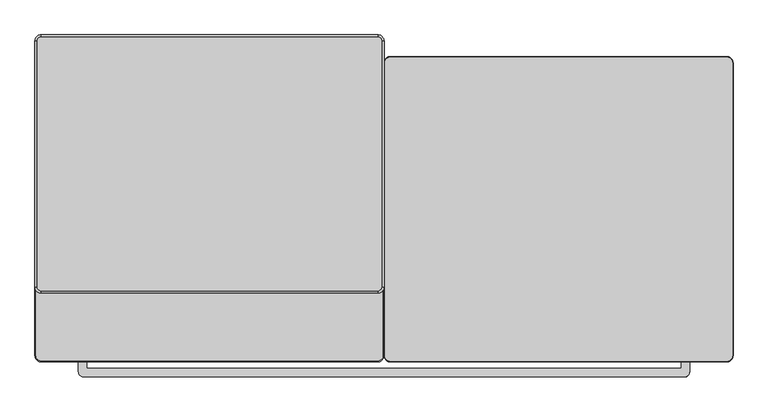
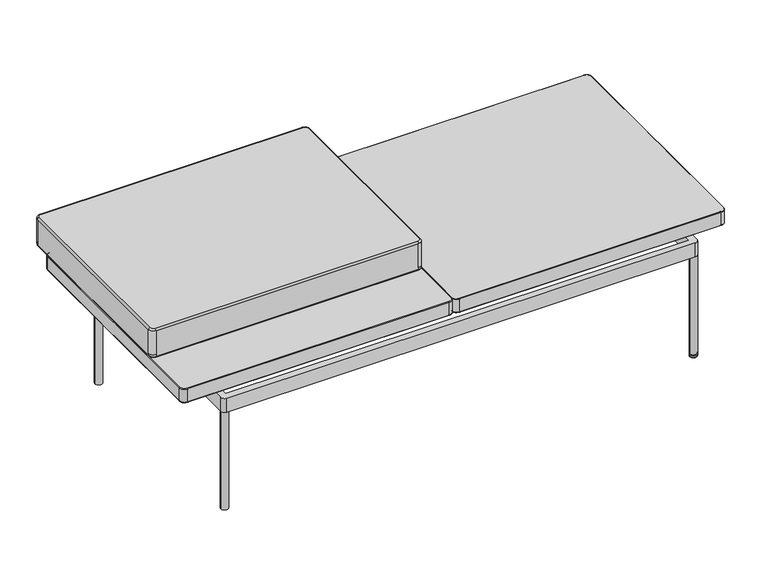
"""IFC4 building model written with IfcOpenShell, lengths in millimetres: furniture geometry."""

from ifc_helpers import new_model, si_unit, point, frame, origin, place, context, project, spatial, circle_curve, ellipse_curve, trimmed, source, transform, mapped, element, save
from ifc_brep_helpers import plane_surface, cylinder_surface, revolved_surface, advanced_brep


def furniture_bee9c8db(model_context):
    return source(origin(), model_context, "Body", "AdvancedBrep", [
        advanced_brep(
        [(-710.1119852, -298.9168441, 355.5999879), (-711.2011385, -298.9168441, 354.5108346), (-698.5011385, -311.6168441, 354.5108346), (-698.5011385, -310.5276908, 355.5999879), (-710.1119852, 297.9831438, 355.5999879), (-711.2011385, 297.9831438, 354.5108346), (-698.5011385, 309.5939905, 355.5999879), (-698.5011385, 310.6831438, 354.5108346), (-12.7, 309.5939905, 355.5999879), (-12.7, 310.6831438, 354.5108346), (-1.0891533, 297.9831438, 355.5999879), (0.0, 297.9831438, 354.5108346), (-1.0891533, -298.9168441, 355.5999879), (0.0, -298.9168441, 354.5108346), (-12.7, -310.5276908, 355.5999879), (-12.7, -311.6168441, 354.5108346), (-711.2011385, -298.9168441, 318.5891775), (-698.5011385, -311.6168441, 318.5891775), (-710.1119852, -298.9168441, 317.5000242), (-698.5011385, -310.5276908, 317.5000242), (-711.2011385, 297.9831438, 318.5891775), (-710.1119852, 297.9831438, 317.5000242), (-698.5011385, 310.6831438, 318.5891775), (-698.5011385, 309.5939905, 317.5000242), (-12.7, 310.6831438, 318.5891775), (-12.7, 309.5939905, 317.5000242), (0.0, 297.9831438, 318.5891775), (-1.0891533, 297.9831438, 317.5000242), (0.0, -298.9168441, 318.5891775), (-1.0891533, -298.9168441, 317.5000242), (-12.7, -311.6168441, 318.5891775), (-12.7, -310.5276908, 317.5000242)],
        [
            (0, 1, circle_curve(frame((-710.1119852, -298.9168441, 354.5108346), z_axis=(0.0, -1.0, 0.0), x_axis=(1.0, 0.0, 0.0)), 1.0891533)),
            (1, 2, circle_curve(frame((-698.5011385, -298.9168441, 354.5108346), z_axis=(0.0, 0.0, 1.0), x_axis=(0.0, -1.0, 0.0)), 12.7)),
            (2, 3, circle_curve(frame((-698.5011385, -310.5276908, 354.5108346), z_axis=(-1.0, 0.0, 0.0), x_axis=(0.0, 1.0, 0.0)), 1.0891533)),
            (3, 0, circle_curve(frame((-698.5011385, -298.9168441, 355.5999879), z_axis=(0.0, 0.0, -1.0), x_axis=(0.0, -1.0, 0.0)), 11.6108467)),
            (0, 4),
            (4, 5, circle_curve(frame((-710.1119852, 297.9831438, 354.5108346), z_axis=(0.0, -1.0, 0.0), x_axis=(1.0, 0.0, 0.0)), 1.0891533)),
            (5, 1),
            (4, 6, circle_curve(frame((-698.5011385, 297.9831438, 355.5999879), z_axis=(0.0, 0.0, -1.0), x_axis=(-1.0, 0.0, 0.0)), 11.6108467)),
            (6, 7, circle_curve(frame((-698.5011385, 309.5939905, 354.5108346), z_axis=(-1.0, 0.0, 0.0), x_axis=(0.0, -1.0, 0.0)), 1.0891533)),
            (7, 5, circle_curve(frame((-698.5011385, 297.9831438, 354.5108346), z_axis=(0.0, 0.0, 1.0), x_axis=(-1.0, 0.0, 0.0)), 12.7)),
            (6, 8),
            (8, 9, circle_curve(frame((-12.7, 309.5939905, 354.5108346), z_axis=(-1.0, 0.0, 0.0), x_axis=(0.0, -1.0, 0.0)), 1.0891533)),
            (9, 7),
            (8, 10, circle_curve(frame((-12.7, 297.9831438, 355.5999879), z_axis=(0.0, 0.0, -1.0), x_axis=(0.0, 1.0, 0.0)), 11.6108467)),
            (10, 11, circle_curve(frame((-1.0891533, 297.9831438, 354.5108346), z_axis=(0.0, 1.0, 0.0), x_axis=(-1.0, 0.0, 0.0)), 1.0891533)),
            (11, 9, circle_curve(frame((-12.7, 297.9831438, 354.5108346), z_axis=(0.0, 0.0, 1.0), x_axis=(0.0, 1.0, 0.0)), 12.7)),
            (10, 12),
            (12, 13, circle_curve(frame((-1.0891533, -298.9168441, 354.5108346), z_axis=(0.0, 1.0, 0.0), x_axis=(-1.0, 0.0, 0.0)), 1.0891533)),
            (13, 11),
            (12, 14, circle_curve(frame((-12.7, -298.9168441, 355.5999879), z_axis=(0.0, 0.0, -1.0), x_axis=(1.0, 0.0, 0.0)), 11.6108467)),
            (14, 15, circle_curve(frame((-12.7, -310.5276908, 354.5108346), z_axis=(1.0, 0.0, 0.0), x_axis=(0.0, 1.0, 0.0)), 1.0891533)),
            (15, 13, circle_curve(frame((-12.7, -298.9168441, 354.5108346), z_axis=(0.0, 0.0, 1.0), x_axis=(1.0, 0.0, 0.0)), 12.7)),
            (2, 15),
            (14, 3),
            (1, 16),
            (16, 17, circle_curve(frame((-698.5011385, -298.9168441, 318.5891775), z_axis=(0.0, 0.0, 1.0), x_axis=(0.0, -1.0, 0.0)), 12.7)),
            (17, 2),
            (16, 18, circle_curve(frame((-710.1119852, -298.9168441, 318.5891775), z_axis=(0.0, -1.0, 0.0), x_axis=(1.0, 0.0, 0.0)), 1.0891533)),
            (18, 19, circle_curve(frame((-698.5011385, -298.9168441, 317.5000242), z_axis=(0.0, 0.0, 1.0), x_axis=(0.0, -1.0, 0.0)), 11.6108467)),
            (19, 17, circle_curve(frame((-698.5011385, -310.5276908, 318.5891775), z_axis=(-1.0, 0.0, 0.0), x_axis=(0.0, 1.0, 0.0)), 1.0891533)),
            (5, 20),
            (20, 16),
            (20, 21, circle_curve(frame((-710.1119852, 297.9831438, 318.5891775), z_axis=(0.0, -1.0, 0.0), x_axis=(1.0, 0.0, 0.0)), 1.0891533)),
            (21, 18),
            (7, 22),
            (22, 20, circle_curve(frame((-698.5011385, 297.9831438, 318.5891775), z_axis=(0.0, 0.0, 1.0), x_axis=(-1.0, 0.0, 0.0)), 12.7)),
            (22, 23, circle_curve(frame((-698.5011385, 309.5939905, 318.5891775), z_axis=(-1.0, 0.0, 0.0), x_axis=(0.0, -1.0, 0.0)), 1.0891533)),
            (23, 21, circle_curve(frame((-698.5011385, 297.9831438, 317.5000242), z_axis=(0.0, 0.0, 1.0), x_axis=(-1.0, 0.0, 0.0)), 11.6108467)),
            (9, 24),
            (24, 22),
            (24, 25, circle_curve(frame((-12.7, 309.5939905, 318.5891775), z_axis=(-1.0, 0.0, 0.0), x_axis=(0.0, -1.0, 0.0)), 1.0891533)),
            (25, 23),
            (11, 26),
            (26, 24, circle_curve(frame((-12.7, 297.9831438, 318.5891775), z_axis=(0.0, 0.0, 1.0), x_axis=(0.0, 1.0, 0.0)), 12.7)),
            (26, 27, circle_curve(frame((-1.0891533, 297.9831438, 318.5891775), z_axis=(0.0, 1.0, 0.0), x_axis=(-1.0, 0.0, 0.0)), 1.0891533)),
            (27, 25, circle_curve(frame((-12.7, 297.9831438, 317.5000242), z_axis=(0.0, 0.0, 1.0), x_axis=(0.0, 1.0, 0.0)), 11.6108467)),
            (13, 28),
            (28, 26),
            (28, 29, circle_curve(frame((-1.0891533, -298.9168441, 318.5891775), z_axis=(0.0, 1.0, 0.0), x_axis=(-1.0, 0.0, 0.0)), 1.0891533)),
            (29, 27),
            (15, 30),
            (30, 28, circle_curve(frame((-12.7, -298.9168441, 318.5891775), z_axis=(0.0, 0.0, 1.0), x_axis=(1.0, 0.0, 0.0)), 12.7)),
            (30, 31, circle_curve(frame((-12.7, -310.5276908, 318.5891775), z_axis=(1.0, 0.0, 0.0), x_axis=(0.0, 1.0, 0.0)), 1.0891533)),
            (31, 29, circle_curve(frame((-12.7, -298.9168441, 317.5000242), z_axis=(0.0, 0.0, 1.0), x_axis=(1.0, 0.0, 0.0)), 11.6108467)),
            (17, 30),
            (31, 19),
        ],
        [
            revolved_surface(trimmed(ellipse_curve(frame((-698.5011385, -310.5276908, 354.5108346), z_axis=(-1.0, 0.0, 0.0), x_axis=(0.0, 1.0, 0.0)), 1.0891533, 1.0891533), [point((-698.5011385, -311.6168441, 354.5108346))], [point((-698.5011385, -310.5276908, 355.5999879))], True, "CARTESIAN"), (-698.5011385, -298.9168441, 352.425), (0.0, 0.0, 1.0)),
            cylinder_surface(frame((-710.1119852, -298.9168441, 354.5108346), z_axis=(0.0, -1.0, 0.0), x_axis=(1.0, 0.0, 0.0)), 1.0891533),
            revolved_surface(trimmed(ellipse_curve(frame((-710.1119852, 297.9831438, 354.5108346), z_axis=(0.0, 1.0, 0.0), x_axis=(1.0, 0.0, 0.0)), 1.0891533, 1.0891533), [point((-711.2011385, 297.9831438, 354.5108346))], [point((-710.1119852, 297.9831438, 355.5999879))], True, "CARTESIAN"), (-698.5011385, 297.9831438, 352.425), (0.0, 0.0, 1.0)),
            cylinder_surface(frame((-698.5011385, 309.5939905, 354.5108346), z_axis=(-1.0, 0.0, 0.0), x_axis=(0.0, -1.0, 0.0)), 1.0891533),
            revolved_surface(trimmed(ellipse_curve(frame((-12.7, 309.5939905, 354.5108346), z_axis=(1.0, 0.0, 0.0), x_axis=(0.0, -1.0, 0.0)), 1.0891533, 1.0891533), [point((-12.7, 310.6831438, 354.5108346))], [point((-12.7, 309.5939905, 355.5999879))], True, "CARTESIAN"), (-12.7, 297.9831438, 352.425), (0.0, 0.0, 1.0)),
            cylinder_surface(frame((-1.0891533, 297.9831438, 354.5108346), z_axis=(0.0, 1.0, 0.0), x_axis=(-1.0, 0.0, 0.0)), 1.0891533),
            revolved_surface(trimmed(ellipse_curve(frame((-1.0891533, -298.9168441, 354.5108346), z_axis=(0.0, -1.0, 0.0), x_axis=(-1.0, 0.0, 0.0)), 1.0891533, 1.0891533), [point((0.0, -298.9168441, 354.5108346))], [point((-1.0891533, -298.9168441, 355.5999879))], True, "CARTESIAN"), (-12.7, -298.9168441, 352.425), (0.0, 0.0, 1.0)),
            cylinder_surface(frame((-12.7, -310.5276908, 354.5108346), z_axis=(1.0, 0.0, 0.0), x_axis=(0.0, 1.0, 0.0)), 1.0891533),
            plane_surface(frame((-12.7, -310.5276908, 355.5999879), z_axis=(0.0, 0.0, 1.0), x_axis=(-1.0, 0.0, 0.0))),
            cylinder_surface(frame((-698.5011385, -298.9168441, 352.425), z_axis=(0.0, 0.0, 1.0), x_axis=(0.0, -1.0, 0.0)), 12.7),
            revolved_surface(trimmed(ellipse_curve(frame((-698.5011385, -310.5276908, 318.5891775), z_axis=(-1.0, 0.0, 0.0), x_axis=(0.0, 1.0, 0.0)), 1.0891533, 1.0891533), [point((-698.5011385, -310.5276908, 317.5000242))], [point((-698.5011385, -311.6168441, 318.5891775))], True, "CARTESIAN"), (-698.5011385, -298.9168441, 352.425), (0.0, 0.0, 1.0)),
            plane_surface(frame((-711.2011385, -298.9168441, 318.5891775), z_axis=(-1.0, 0.0, 0.0), x_axis=(0.0, 1.0, 0.0))),
            cylinder_surface(frame((-710.1119852, -298.9168441, 318.5891775), z_axis=(0.0, -1.0, 0.0), x_axis=(1.0, 0.0, 0.0)), 1.0891533),
            cylinder_surface(frame((-698.5011385, 297.9831438, 352.425), z_axis=(0.0, 0.0, 1.0), x_axis=(-1.0, 0.0, 0.0)), 12.7),
            revolved_surface(trimmed(ellipse_curve(frame((-710.1119852, 297.9831438, 318.5891775), z_axis=(0.0, 1.0, 0.0), x_axis=(1.0, 0.0, 0.0)), 1.0891533, 1.0891533), [point((-710.1119852, 297.9831438, 317.5000242))], [point((-711.2011385, 297.9831438, 318.5891775))], True, "CARTESIAN"), (-698.5011385, 297.9831438, 352.425), (0.0, 0.0, 1.0)),
            plane_surface(frame((-698.5011385, 310.6831438, 318.5891775), z_axis=(0.0, 1.0, 0.0), x_axis=(1.0, 0.0, 0.0))),
            cylinder_surface(frame((-698.5011385, 309.5939905, 318.5891775), z_axis=(-1.0, 0.0, 0.0), x_axis=(0.0, -1.0, 0.0)), 1.0891533),
            cylinder_surface(frame((-12.7, 297.9831438, 352.425), z_axis=(0.0, 0.0, 1.0), x_axis=(0.0, 1.0, 0.0)), 12.7),
            revolved_surface(trimmed(ellipse_curve(frame((-12.7, 309.5939905, 318.5891775), z_axis=(1.0, 0.0, 0.0), x_axis=(0.0, -1.0, 0.0)), 1.0891533, 1.0891533), [point((-12.7, 309.5939905, 317.5000242))], [point((-12.7, 310.6831438, 318.5891775))], True, "CARTESIAN"), (-12.7, 297.9831438, 352.425), (0.0, 0.0, 1.0)),
            plane_surface(frame((0.0, 297.9831438, 318.5891775), z_axis=(1.0, 0.0, 0.0), x_axis=(0.0, -1.0, 0.0))),
            cylinder_surface(frame((-1.0891533, 297.9831438, 318.5891775), z_axis=(0.0, 1.0, 0.0), x_axis=(-1.0, 0.0, 0.0)), 1.0891533),
            cylinder_surface(frame((-12.7, -298.9168441, 352.425), z_axis=(0.0, 0.0, 1.0), x_axis=(1.0, 0.0, 0.0)), 12.7),
            revolved_surface(trimmed(ellipse_curve(frame((-1.0891533, -298.9168441, 318.5891775), z_axis=(0.0, -1.0, 0.0), x_axis=(-1.0, 0.0, 0.0)), 1.0891533, 1.0891533), [point((-1.0891533, -298.9168441, 317.5000242))], [point((0.0, -298.9168441, 318.5891775))], True, "CARTESIAN"), (-12.7, -298.9168441, 352.425), (0.0, 0.0, 1.0)),
            plane_surface(frame((-12.7, -311.6168441, 318.5891775), z_axis=(0.0, -1.0, 0.0), x_axis=(-1.0, 0.0, 0.0))),
            plane_surface(frame((-12.7, -309.012361, 317.5000242), z_axis=(0.0, 0.0, -1.0), x_axis=(-1.0, 0.0, 0.0))),
            cylinder_surface(frame((-12.7, -310.5276908, 318.5891775), z_axis=(1.0, 0.0, 0.0), x_axis=(0.0, 1.0, 0.0)), 1.0891533),
        ],
        [
            (0, [[1, 2, 3, 4]]),
            (1, [[5, 6, 7, -1]]),
            (2, [[8, 9, 10, -6]]),
            (3, [[11, 12, 13, -9]]),
            (4, [[14, 15, 16, -12]]),
            (5, [[17, 18, 19, -15]]),
            (6, [[20, 21, 22, -18]]),
            (7, [[23, -21, 24, -3]]),
            (8, [[-24, -20, -17, -14, -11, -8, -5, -4]]),
            (9, [[25, 26, 27, -2]]),
            (10, [[28, 29, 30, -26]]),
            (11, [[31, 32, -25, -7]]),
            (12, [[-32, 33, 34, -28]]),
            (13, [[35, 36, -31, -10]]),
            (14, [[-36, 37, 38, -33]]),
            (15, [[39, 40, -35, -13]]),
            (16, [[-40, 41, 42, -37]]),
            (17, [[43, 44, -39, -16]]),
            (18, [[-44, 45, 46, -41]]),
            (19, [[47, 48, -43, -19]]),
            (20, [[-48, 49, 50, -45]]),
            (21, [[51, 52, -47, -22]]),
            (22, [[-52, 53, 54, -49]]),
            (23, [[-27, 55, -51, -23]]),
            (24, [[-34, -38, -42, -46, -50, -54, 56, -29]]),
            (25, [[-56, -53, -55, -30]]),
        ],
    ),
        advanced_brep(
        [(710.1119852, -298.9168441, 355.5999879), (710.1119852, 297.9831438, 355.5999879), (698.5011385, 309.5939905, 355.5999879), (12.7, 309.5939905, 355.5999879), (1.0891533, 297.9831438, 355.5999879), (1.0891533, -298.9168441, 355.5999879), (12.7, -310.5276908, 355.5999879), (698.5011385, -310.5276908, 355.5999879), (698.5011385, -310.5276908, 317.4999879), (12.7, -310.5276908, 317.4999879), (1.0891533, -298.9168441, 317.4999879), (1.0891533, 297.9831438, 317.4999879), (12.7, 309.5939905, 317.4999879), (698.5011385, 309.5939905, 317.4999879), (710.1119852, 297.9831438, 317.4999879), (710.1119852, -298.9168441, 317.4999879), (711.2011385, -298.9168441, 354.5108346), (698.5011385, -311.6168441, 354.5108346), (711.2011385, 297.9831438, 354.5108346), (698.5011385, 310.6831438, 354.5108346), (12.7, 310.6831438, 354.5108346), (0.0, 297.9831438, 354.5108346), (0.0, -298.9168441, 354.5108346), (12.7, -311.6168441, 354.5108346), (698.5011385, -311.6168441, 318.5891775), (711.2011385, -298.9168441, 318.5891775), (711.2011385, 297.9831438, 318.5891775), (698.5011385, 310.6831438, 318.5891775), (12.7, 310.6831438, 318.5891775), (0.0, 297.9831438, 318.5891775), (0.0, -298.9168441, 318.5891775), (12.7, -311.6168441, 318.5891775)],
        [
            (0, 1),
            (1, 2, circle_curve(frame((698.5011385, 297.9831438, 355.5999879), z_axis=(0.0, 0.0, 1.0), x_axis=(1.0, 0.0, 0.0)), 11.6108467)),
            (2, 3),
            (3, 4, circle_curve(frame((12.7, 297.9831438, 355.5999879), z_axis=(0.0, 0.0, 1.0), x_axis=(0.0, 1.0, 0.0)), 11.6108467)),
            (4, 5),
            (5, 6, circle_curve(frame((12.7, -298.9168441, 355.5999879), z_axis=(0.0, 0.0, 1.0), x_axis=(-1.0, 0.0, 0.0)), 11.6108467)),
            (6, 7),
            (7, 0, circle_curve(frame((698.5011385, -298.9168441, 355.5999879), z_axis=(0.0, 0.0, 1.0), x_axis=(0.0, -1.0, 0.0)), 11.6108467)),
            (8, 9),
            (9, 10, circle_curve(frame((12.7, -298.9168441, 317.4999879), z_axis=(0.0, 0.0, -1.0), x_axis=(-1.0, 0.0, 0.0)), 11.6108467)),
            (10, 11),
            (11, 12, circle_curve(frame((12.7, 297.9831438, 317.4999879), z_axis=(0.0, 0.0, -1.0), x_axis=(0.0, 1.0, 0.0)), 11.6108467)),
            (12, 13),
            (13, 14, circle_curve(frame((698.5011385, 297.9831438, 317.4999879), z_axis=(0.0, 0.0, -1.0), x_axis=(1.0, 0.0, 0.0)), 11.6108467)),
            (14, 15),
            (15, 8, circle_curve(frame((698.5011385, -298.9168441, 317.4999879), z_axis=(0.0, 0.0, -1.0), x_axis=(0.0, -1.0, 0.0)), 11.6108467)),
            (16, 0, circle_curve(frame((710.1119852, -298.9168441, 354.5108346), z_axis=(0.0, -1.0, 0.0), x_axis=(1.0, 0.0, 0.0)), 1.0891533)),
            (7, 17, circle_curve(frame((698.5011385, -310.5276908, 354.5108346), z_axis=(1.0, 0.0, 0.0), x_axis=(0.0, -1.0, 0.0)), 1.0891533)),
            (17, 16, circle_curve(frame((698.5011385, -298.9168441, 354.5108346), z_axis=(0.0, 0.0, 1.0), x_axis=(0.0, -1.0, 0.0)), 12.7)),
            (16, 18),
            (18, 1, circle_curve(frame((710.1119852, 297.9831438, 354.5108346), z_axis=(0.0, -1.0, 0.0), x_axis=(1.0, 0.0, 0.0)), 1.0891533)),
            (18, 19, circle_curve(frame((698.5011385, 297.9831438, 354.5108346), z_axis=(0.0, 0.0, 1.0), x_axis=(1.0, 0.0, 0.0)), 12.7)),
            (19, 2, circle_curve(frame((698.5011385, 309.5939905, 354.5108346), z_axis=(1.0, 0.0, 0.0), x_axis=(0.0, 1.0, 0.0)), 1.0891533)),
            (19, 20),
            (20, 3, circle_curve(frame((12.7, 309.5939905, 354.5108346), z_axis=(1.0, 0.0, 0.0), x_axis=(0.0, 1.0, 0.0)), 1.0891533)),
            (20, 21, circle_curve(frame((12.7, 297.9831438, 354.5108346), z_axis=(0.0, 0.0, 1.0), x_axis=(0.0, 1.0, 0.0)), 12.7)),
            (21, 4, circle_curve(frame((1.0891533, 297.9831438, 354.5108346), z_axis=(0.0, 1.0, 0.0), x_axis=(-1.0, 0.0, 0.0)), 1.0891533)),
            (21, 22),
            (22, 5, circle_curve(frame((1.0891533, -298.9168441, 354.5108346), z_axis=(0.0, 1.0, 0.0), x_axis=(-1.0, 0.0, 0.0)), 1.0891533)),
            (22, 23, circle_curve(frame((12.7, -298.9168441, 354.5108346), z_axis=(0.0, 0.0, 1.0), x_axis=(-1.0, 0.0, 0.0)), 12.7)),
            (23, 6, circle_curve(frame((12.7, -310.5276908, 354.5108346), z_axis=(-1.0, 0.0, 0.0), x_axis=(0.0, -1.0, 0.0)), 1.0891533)),
            (23, 17),
            (17, 24),
            (24, 25, circle_curve(frame((698.5011385, -298.9168441, 318.5891775), z_axis=(0.0, 0.0, 1.0), x_axis=(0.0, -1.0, 0.0)), 12.7)),
            (25, 16),
            (24, 8, circle_curve(frame((698.5011385, -310.5276908, 318.5891775), z_axis=(1.0, 0.0, 0.0), x_axis=(0.0, -1.0, 0.0)), 1.0891533)),
            (15, 25, circle_curve(frame((710.1119852, -298.9168441, 318.5891775), z_axis=(0.0, -1.0, 0.0), x_axis=(1.0, 0.0, 0.0)), 1.0891533)),
            (25, 26),
            (26, 18),
            (14, 26, circle_curve(frame((710.1119852, 297.9831438, 318.5891775), z_axis=(0.0, -1.0, 0.0), x_axis=(1.0, 0.0, 0.0)), 1.0891533)),
            (26, 27, circle_curve(frame((698.5011385, 297.9831438, 318.5891775), z_axis=(0.0, 0.0, 1.0), x_axis=(1.0, 0.0, 0.0)), 12.7)),
            (27, 19),
            (13, 27, circle_curve(frame((698.5011385, 309.5939905, 318.5891775), z_axis=(1.0, 0.0, 0.0), x_axis=(0.0, 1.0, 0.0)), 1.0891533)),
            (27, 28),
            (28, 20),
            (12, 28, circle_curve(frame((12.7, 309.5939905, 318.5891775), z_axis=(1.0, 0.0, 0.0), x_axis=(0.0, 1.0, 0.0)), 1.0891533)),
            (28, 29, circle_curve(frame((12.7, 297.9831438, 318.5891775), z_axis=(0.0, 0.0, 1.0), x_axis=(0.0, 1.0, 0.0)), 12.7)),
            (29, 21),
            (11, 29, circle_curve(frame((1.0891533, 297.9831438, 318.5891775), z_axis=(0.0, 1.0, 0.0), x_axis=(-1.0, 0.0, 0.0)), 1.0891533)),
            (29, 30),
            (30, 22),
            (10, 30, circle_curve(frame((1.0891533, -298.9168441, 318.5891775), z_axis=(0.0, 1.0, 0.0), x_axis=(-1.0, 0.0, 0.0)), 1.0891533)),
            (30, 31, circle_curve(frame((12.7, -298.9168441, 318.5891775), z_axis=(0.0, 0.0, 1.0), x_axis=(-1.0, 0.0, 0.0)), 12.7)),
            (31, 23),
            (9, 31, circle_curve(frame((12.7, -310.5276908, 318.5891775), z_axis=(-1.0, 0.0, 0.0), x_axis=(0.0, -1.0, 0.0)), 1.0891533)),
            (31, 24),
        ],
        [
            plane_surface(frame((2.6044831, 297.9831438, 355.5999879), z_axis=(0.0, 0.0, 1.0), x_axis=(0.0, 1.0, 0.0))),
            plane_surface(frame((2.6044831, 297.9831438, 317.4999879), z_axis=(0.0, 0.0, -1.0), x_axis=(0.0, -1.0, 0.0))),
            revolved_surface(trimmed(ellipse_curve(frame((698.5011385, -310.5276908, 354.5108346), z_axis=(1.0, 0.0, 0.0), x_axis=(0.0, -1.0, 0.0)), 1.0891533, 1.0891533), [point((698.5011385, -310.5276908, 355.5999879))], [point((698.5011385, -311.6168441, 354.5108346))], True, "CARTESIAN"), (698.5011385, -298.9168441, 352.425), (0.0, 0.0, -1.0)),
            cylinder_surface(frame((710.1119852, -298.9168441, 354.5108346), z_axis=(0.0, -1.0, 0.0), x_axis=(1.0, 0.0, 0.0)), 1.0891533),
            revolved_surface(trimmed(ellipse_curve(frame((710.1119852, 297.9831438, 354.5108346), z_axis=(0.0, 1.0, 0.0), x_axis=(1.0, 0.0, 0.0)), 1.0891533, 1.0891533), [point((710.1119852, 297.9831438, 355.5999879))], [point((711.2011385, 297.9831438, 354.5108346))], True, "CARTESIAN"), (698.5011385, 297.9831438, 352.425), (0.0, 0.0, -1.0)),
            cylinder_surface(frame((698.5011385, 309.5939905, 354.5108346), z_axis=(1.0, 0.0, 0.0), x_axis=(0.0, 1.0, 0.0)), 1.0891533),
            revolved_surface(trimmed(ellipse_curve(frame((12.7, 309.5939905, 354.5108346), z_axis=(-1.0, 0.0, 0.0), x_axis=(0.0, 1.0, 0.0)), 1.0891533, 1.0891533), [point((12.7, 309.5939905, 355.5999879))], [point((12.7, 310.6831438, 354.5108346))], True, "CARTESIAN"), (12.7, 297.9831438, 352.425), (0.0, 0.0, -1.0)),
            cylinder_surface(frame((1.0891533, 297.9831438, 354.5108346), z_axis=(0.0, 1.0, 0.0), x_axis=(-1.0, 0.0, 0.0)), 1.0891533),
            revolved_surface(trimmed(ellipse_curve(frame((1.0891533, -298.9168441, 354.5108346), z_axis=(0.0, -1.0, 0.0), x_axis=(-1.0, 0.0, 0.0)), 1.0891533, 1.0891533), [point((1.0891533, -298.9168441, 355.5999879))], [point((0.0, -298.9168441, 354.5108346))], True, "CARTESIAN"), (12.7, -298.9168441, 352.425), (0.0, 0.0, -1.0)),
            cylinder_surface(frame((12.7, -310.5276908, 354.5108346), z_axis=(-1.0, 0.0, 0.0), x_axis=(0.0, -1.0, 0.0)), 1.0891533),
            cylinder_surface(frame((698.5011385, -298.9168441, 352.425), z_axis=(0.0, 0.0, -1.0), x_axis=(0.0, -1.0, 0.0)), 12.7),
            revolved_surface(trimmed(ellipse_curve(frame((698.5011385, -310.5276908, 318.5891775), z_axis=(1.0, 0.0, 0.0), x_axis=(0.0, -1.0, 0.0)), 1.0891533, 1.0891533), [point((698.5011385, -311.6168441, 318.5891775))], [point((698.5011385, -310.5276908, 317.5000242))], True, "CARTESIAN"), (698.5011385, -298.9168441, 352.425), (0.0, 0.0, -1.0)),
            plane_surface(frame((711.2011385, -298.9168441, 354.5108346), z_axis=(1.0, 0.0, 0.0), x_axis=(0.0, 1.0, 0.0))),
            cylinder_surface(frame((710.1119852, -298.9168441, 318.5891775), z_axis=(0.0, -1.0, 0.0), x_axis=(1.0, 0.0, 0.0)), 1.0891533),
            cylinder_surface(frame((698.5011385, 297.9831438, 352.425), z_axis=(0.0, 0.0, -1.0), x_axis=(1.0, 0.0, 0.0)), 12.7),
            revolved_surface(trimmed(ellipse_curve(frame((710.1119852, 297.9831438, 318.5891775), z_axis=(0.0, 1.0, 0.0), x_axis=(1.0, 0.0, 0.0)), 1.0891533, 1.0891533), [point((711.2011385, 297.9831438, 318.5891775))], [point((710.1119852, 297.9831438, 317.5000242))], True, "CARTESIAN"), (698.5011385, 297.9831438, 352.425), (0.0, 0.0, -1.0)),
            plane_surface(frame((698.5011385, 310.6831438, 354.5108346), z_axis=(0.0, 1.0, 0.0), x_axis=(-1.0, 0.0, 0.0))),
            cylinder_surface(frame((698.5011385, 309.5939905, 318.5891775), z_axis=(1.0, 0.0, 0.0), x_axis=(0.0, 1.0, 0.0)), 1.0891533),
            cylinder_surface(frame((12.7, 297.9831438, 352.425), z_axis=(0.0, 0.0, -1.0), x_axis=(0.0, 1.0, 0.0)), 12.7),
            revolved_surface(trimmed(ellipse_curve(frame((12.7, 309.5939905, 318.5891775), z_axis=(-1.0, 0.0, 0.0), x_axis=(0.0, 1.0, 0.0)), 1.0891533, 1.0891533), [point((12.7, 310.6831438, 318.5891775))], [point((12.7, 309.5939905, 317.5000242))], True, "CARTESIAN"), (12.7, 297.9831438, 352.425), (0.0, 0.0, -1.0)),
            plane_surface(frame((0.0, 297.9831438, 354.5108346), z_axis=(-1.0, 0.0, 0.0), x_axis=(0.0, -1.0, 0.0))),
            cylinder_surface(frame((1.0891533, 297.9831438, 318.5891775), z_axis=(0.0, 1.0, 0.0), x_axis=(-1.0, 0.0, 0.0)), 1.0891533),
            cylinder_surface(frame((12.7, -298.9168441, 352.425), z_axis=(0.0, 0.0, -1.0), x_axis=(-1.0, 0.0, 0.0)), 12.7),
            revolved_surface(trimmed(ellipse_curve(frame((1.0891533, -298.9168441, 318.5891775), z_axis=(0.0, -1.0, 0.0), x_axis=(-1.0, 0.0, 0.0)), 1.0891533, 1.0891533), [point((0.0, -298.9168441, 318.5891775))], [point((1.0891533, -298.9168441, 317.5000242))], True, "CARTESIAN"), (12.7, -298.9168441, 352.425), (0.0, 0.0, -1.0)),
            plane_surface(frame((12.7, -311.6168441, 354.5108346), z_axis=(0.0, -1.0, 0.0), x_axis=(1.0, 0.0, 0.0))),
            cylinder_surface(frame((12.7, -310.5276908, 318.5891775), z_axis=(-1.0, 0.0, 0.0), x_axis=(0.0, -1.0, 0.0)), 1.0891533),
        ],
        [
            (0, [[1, 2, 3, 4, 5, 6, 7, 8]]),
            (1, [[9, 10, 11, 12, 13, 14, 15, 16]]),
            (2, [[17, -8, 18, 19]]),
            (3, [[20, 21, -1, -17]]),
            (4, [[22, 23, -2, -21]]),
            (5, [[24, 25, -3, -23]]),
            (6, [[26, 27, -4, -25]]),
            (7, [[28, 29, -5, -27]]),
            (8, [[30, 31, -6, -29]]),
            (9, [[-7, -31, 32, -18]]),
            (10, [[33, 34, 35, -19]]),
            (11, [[36, -16, 37, -34]]),
            (12, [[-35, 38, 39, -20]]),
            (13, [[-15, 40, -38, -37]]),
            (14, [[-39, 41, 42, -22]]),
            (15, [[-14, 43, -41, -40]]),
            (16, [[-42, 44, 45, -24]]),
            (17, [[-13, 46, -44, -43]]),
            (18, [[-45, 47, 48, -26]]),
            (19, [[-12, 49, -47, -46]]),
            (20, [[-48, 50, 51, -28]]),
            (21, [[-11, 52, -50, -49]]),
            (22, [[-51, 53, 54, -30]]),
            (23, [[-10, 55, -53, -52]]),
            (24, [[-54, 56, -33, -32]]),
            (25, [[-56, -55, -9, -36]]),
        ],
    ),
        advanced_brep(
        [(-4.6104593, 342.4331438, 355.3677867), (-4.6104593, -158.750436, 355.3677867), (-12.7, -166.8399767, 355.3677867), (-698.5011385, -166.8399767, 355.3677867), (-706.5906792, -158.750436, 355.3677867), (-706.5906792, 342.4331438, 355.3677867), (-698.5011385, 350.5226845, 355.3677867), (-12.7, 350.5226845, 355.3677867), (-698.5011385, 350.5226845, 435.1573776), (-706.5906792, 342.4331438, 435.1573776), (-706.5906792, -158.750436, 435.1573776), (-698.5011385, -166.8399767, 435.1573776), (-12.7, -166.8399767, 435.1573776), (-4.6104593, -158.750436, 435.1573776), (-4.6104593, 342.4331438, 435.1573776), (-12.7, 350.5226845, 435.1573776), (-12.7, 355.1331438, 430.5469182), (-698.5011385, 355.1331438, 430.5469182), (-711.2011385, 342.4331438, 430.5469182), (-711.2011385, -158.750436, 430.5469182), (-698.5011385, -171.450436, 430.5469182), (-12.7, -171.450436, 430.5469182), (0.0, -158.750436, 430.5469182), (0.0, 342.4331438, 430.5469182), (-12.7, 355.1331438, 365.5390691), (0.0, 342.4331438, 365.5390691), (-711.2011385, 342.4331438, 365.5390691), (-698.5011385, 355.1331438, 365.5390691), (-698.5011385, -171.450436, 365.5390691), (-711.2011385, -158.750436, 365.5390691), (0.0, -158.750436, 365.5390691), (-12.7, -171.450436, 365.5390691), (0.0, 342.4331438, 359.9782461), (-12.7, 355.1331438, 359.9782461), (-698.5011385, 355.1331438, 359.9782461), (-711.2011385, 342.4331438, 359.9782461), (-711.2011385, -158.750436, 359.9782461), (-698.5011385, -171.450436, 359.9782461), (-12.7, -171.450436, 359.9782461), (0.0, -158.750436, 359.9782461)],
        [
            (0, 1),
            (1, 2, circle_curve(frame((-12.7, -158.750436, 355.3677867), z_axis=(0.0, 0.0, -1.0), x_axis=(0.0, -1.0, 0.0)), 8.0895407)),
            (2, 3),
            (3, 4, circle_curve(frame((-698.5011385, -158.750436, 355.3677867), z_axis=(0.0, 0.0, -1.0), x_axis=(-1.0, 0.0, 0.0)), 8.0895407)),
            (4, 5),
            (5, 6, circle_curve(frame((-698.5011385, 342.4331438, 355.3677867), z_axis=(0.0, 0.0, -1.0), x_axis=(0.0, 1.0, 0.0)), 8.0895407)),
            (6, 7),
            (7, 0, circle_curve(frame((-12.7, 342.4331438, 355.3677867), z_axis=(0.0, 0.0, -1.0), x_axis=(1.0, 0.0, 0.0)), 8.0895407)),
            (8, 9, circle_curve(frame((-698.5011385, 342.4331438, 435.1573776), z_axis=(0.0, 0.0, 1.0), x_axis=(0.0, 1.0, 0.0)), 8.0895407)),
            (9, 10),
            (10, 11, circle_curve(frame((-698.5011385, -158.750436, 435.1573776), z_axis=(0.0, 0.0, 1.0), x_axis=(-1.0, 0.0, 0.0)), 8.0895407)),
            (11, 12),
            (12, 13, circle_curve(frame((-12.7, -158.750436, 435.1573776), z_axis=(0.0, 0.0, 1.0), x_axis=(0.0, -1.0, 0.0)), 8.0895407)),
            (13, 14),
            (14, 15, circle_curve(frame((-12.7, 342.4331438, 435.1573776), z_axis=(0.0, 0.0, 1.0), x_axis=(1.0, 0.0, 0.0)), 8.0895407)),
            (15, 8),
            (16, 17),
            (17, 8, circle_curve(frame((-698.5011385, 350.5226845, 430.5469182), z_axis=(1.0, 0.0, 0.0), x_axis=(0.0, 1.0, 0.0)), 4.6104593)),
            (15, 16, circle_curve(frame((-12.7, 350.5226845, 430.5469182), z_axis=(-1.0, 0.0, 0.0), x_axis=(0.0, 1.0, 0.0)), 4.6104593)),
            (18, 19),
            (19, 10, circle_curve(frame((-706.5906792, -158.750436, 430.5469182), z_axis=(0.0, 1.0, 0.0), x_axis=(-1.0, 0.0, 0.0)), 4.6104593)),
            (9, 18, circle_curve(frame((-706.5906792, 342.4331438, 430.5469182), z_axis=(0.0, -1.0, 0.0), x_axis=(-1.0, 0.0, 0.0)), 4.6104593)),
            (20, 21),
            (21, 12, circle_curve(frame((-12.7, -166.8399767, 430.5469182), z_axis=(-1.0, 0.0, 0.0), x_axis=(0.0, -1.0, 0.0)), 4.6104593)),
            (11, 20, circle_curve(frame((-698.5011385, -166.8399767, 430.5469182), z_axis=(1.0, 0.0, 0.0), x_axis=(0.0, -1.0, 0.0)), 4.6104593)),
            (22, 23),
            (23, 14, circle_curve(frame((-4.6104593, 342.4331438, 430.5469182), z_axis=(0.0, -1.0, 0.0), x_axis=(1.0, 0.0, 0.0)), 4.6104593)),
            (13, 22, circle_curve(frame((-4.6104593, -158.750436, 430.5469182), z_axis=(0.0, 1.0, 0.0), x_axis=(1.0, 0.0, 0.0)), 4.6104593)),
            (24, 16),
            (16, 23, circle_curve(frame((-12.7, 342.4331438, 430.5469182), z_axis=(0.0, 0.0, -1.0), x_axis=(1.0, 0.0, 0.0)), 12.7)),
            (23, 25),
            (25, 24, circle_curve(frame((-12.7, 342.4331438, 365.5390691), z_axis=(0.0, 0.0, 1.0), x_axis=(1.0, 0.0, 0.0)), 12.7)),
            (26, 18),
            (18, 17, circle_curve(frame((-698.5011385, 342.4331438, 430.5469182), z_axis=(0.0, 0.0, -1.0), x_axis=(0.0, 1.0, 0.0)), 12.7)),
            (17, 27),
            (27, 26, circle_curve(frame((-698.5011385, 342.4331438, 365.5390691), z_axis=(0.0, 0.0, 1.0), x_axis=(0.0, 1.0, 0.0)), 12.7)),
            (28, 20),
            (20, 19, circle_curve(frame((-698.5011385, -158.750436, 430.5469182), z_axis=(0.0, 0.0, -1.0), x_axis=(-1.0, 0.0, 0.0)), 12.7)),
            (19, 29),
            (29, 28, circle_curve(frame((-698.5011385, -158.750436, 365.5390691), z_axis=(0.0, 0.0, 1.0), x_axis=(-1.0, 0.0, 0.0)), 12.7)),
            (30, 22),
            (22, 21, circle_curve(frame((-12.7, -158.750436, 430.5469182), z_axis=(0.0, 0.0, -1.0), x_axis=(0.0, -1.0, 0.0)), 12.7)),
            (21, 31),
            (31, 30, circle_curve(frame((-12.7, -158.750436, 365.5390691), z_axis=(0.0, 0.0, 1.0), x_axis=(0.0, -1.0, 0.0)), 12.7)),
            (25, 32),
            (32, 33, circle_curve(frame((-12.7, 342.4331438, 359.9782461), z_axis=(0.0, 0.0, 1.0), x_axis=(1.0, 0.0, 0.0)), 12.7)),
            (33, 24),
            (32, 0, circle_curve(frame((-4.6104593, 342.4331438, 359.9782461), z_axis=(0.0, 1.0, 0.0), x_axis=(1.0, 0.0, 0.0)), 4.6104593)),
            (7, 33, circle_curve(frame((-12.7, 350.5226845, 359.9782461), z_axis=(1.0, 0.0, 0.0), x_axis=(0.0, 1.0, 0.0)), 4.6104593)),
            (33, 34),
            (34, 27),
            (6, 34, circle_curve(frame((-698.5011385, 350.5226845, 359.9782461), z_axis=(1.0, 0.0, 0.0), x_axis=(0.0, 1.0, 0.0)), 4.6104593)),
            (34, 35, circle_curve(frame((-698.5011385, 342.4331438, 359.9782461), z_axis=(0.0, 0.0, 1.0), x_axis=(0.0, 1.0, 0.0)), 12.7)),
            (35, 26),
            (5, 35, circle_curve(frame((-706.5906792, 342.4331438, 359.9782461), z_axis=(0.0, 1.0, 0.0), x_axis=(-1.0, 0.0, 0.0)), 4.6104593)),
            (35, 36),
            (36, 29),
            (4, 36, circle_curve(frame((-706.5906792, -158.750436, 359.9782461), z_axis=(0.0, 1.0, 0.0), x_axis=(-1.0, 0.0, 0.0)), 4.6104593)),
            (36, 37, circle_curve(frame((-698.5011385, -158.750436, 359.9782461), z_axis=(0.0, 0.0, 1.0), x_axis=(-1.0, 0.0, 0.0)), 12.7)),
            (37, 28),
            (3, 37, circle_curve(frame((-698.5011385, -166.8399767, 359.9782461), z_axis=(-1.0, 0.0, 0.0), x_axis=(0.0, -1.0, 0.0)), 4.6104593)),
            (37, 38),
            (38, 31),
            (2, 38, circle_curve(frame((-12.7, -166.8399767, 359.9782461), z_axis=(-1.0, 0.0, 0.0), x_axis=(0.0, -1.0, 0.0)), 4.6104593)),
            (38, 39, circle_curve(frame((-12.7, -158.750436, 359.9782461), z_axis=(0.0, 0.0, 1.0), x_axis=(0.0, -1.0, 0.0)), 12.7)),
            (39, 30),
            (1, 39, circle_curve(frame((-4.6104593, -158.750436, 359.9782461), z_axis=(0.0, -1.0, 0.0), x_axis=(1.0, 0.0, 0.0)), 4.6104593)),
            (39, 32),
        ],
        [
            plane_surface(frame((-18.1805818, -158.750436, 355.3677867), z_axis=(0.0, 0.0, -1.0), x_axis=(0.0, -1.0, 0.0))),
            plane_surface(frame((-18.1805818, -158.750436, 435.1573776), z_axis=(0.0, 0.0, 1.0), x_axis=(0.0, 1.0, 0.0))),
            cylinder_surface(frame((-12.7, 350.5226845, 430.5469182), z_axis=(1.0, 0.0, 0.0), x_axis=(0.0, 1.0, 0.0)), 4.6104593),
            cylinder_surface(frame((-706.5906792, 342.4331438, 430.5469182), z_axis=(0.0, 1.0, 0.0), x_axis=(-1.0, 0.0, 0.0)), 4.6104593),
            cylinder_surface(frame((-698.5011385, -166.8399767, 430.5469182), z_axis=(-1.0, 0.0, 0.0), x_axis=(0.0, -1.0, 0.0)), 4.6104593),
            cylinder_surface(frame((-4.6104593, -158.750436, 430.5469182), z_axis=(0.0, -1.0, 0.0), x_axis=(1.0, 0.0, 0.0)), 4.6104593),
            cylinder_surface(frame((-12.7, 342.4331438, 0.0), z_axis=(0.0, 0.0, -1.0), x_axis=(1.0, 0.0, 0.0)), 12.7),
            revolved_surface(trimmed(ellipse_curve(frame((-4.6104593, 342.4331438, 430.5469182), z_axis=(0.0, 1.0, 0.0), x_axis=(1.0, 0.0, 0.0)), 4.6104593, 4.6104593), [point((-4.6104593, 342.4331438, 435.1573776))], [point((0.0, 342.4331438, 430.5469182))], True, "CARTESIAN"), (-12.7, 342.4331438, 0.0), (0.0, 0.0, -1.0)),
            cylinder_surface(frame((-698.5011385, 342.4331438, 0.0), z_axis=(0.0, 0.0, -1.0), x_axis=(0.0, 1.0, 0.0)), 12.7),
            revolved_surface(trimmed(ellipse_curve(frame((-698.5011385, 350.5226845, 430.5469182), z_axis=(-1.0, 0.0, 0.0), x_axis=(0.0, 1.0, 0.0)), 4.6104593, 4.6104593), [point((-698.5011385, 350.5226845, 435.1573776))], [point((-698.5011385, 355.1331438, 430.5469182))], True, "CARTESIAN"), (-698.5011385, 342.4331438, 0.0), (0.0, 0.0, -1.0)),
            cylinder_surface(frame((-698.5011385, -158.750436, 0.0), z_axis=(0.0, 0.0, -1.0), x_axis=(-1.0, 0.0, 0.0)), 12.7),
            revolved_surface(trimmed(ellipse_curve(frame((-706.5906792, -158.750436, 430.5469182), z_axis=(0.0, -1.0, 0.0), x_axis=(-1.0, 0.0, 0.0)), 4.6104593, 4.6104593), [point((-706.5906792, -158.750436, 435.1573776))], [point((-711.2011385, -158.750436, 430.5469182))], True, "CARTESIAN"), (-698.5011385, -158.750436, 0.0), (0.0, 0.0, -1.0)),
            cylinder_surface(frame((-12.7, -158.750436, 0.0), z_axis=(0.0, 0.0, -1.0), x_axis=(0.0, -1.0, 0.0)), 12.7),
            revolved_surface(trimmed(ellipse_curve(frame((-12.7, -166.8399767, 430.5469182), z_axis=(1.0, 0.0, 0.0), x_axis=(0.0, -1.0, 0.0)), 4.6104593, 4.6104593), [point((-12.7, -166.8399767, 435.1573776))], [point((-12.7, -171.450436, 430.5469182))], True, "CARTESIAN"), (-12.7, -158.750436, 0.0), (0.0, 0.0, -1.0)),
            revolved_surface(trimmed(ellipse_curve(frame((-4.6104593, 342.4331438, 359.9782461), z_axis=(0.0, 1.0, 0.0), x_axis=(1.0, 0.0, 0.0)), 4.6104593, 4.6104593), [point((0.0, 342.4331438, 359.9782461))], [point((-4.6104593, 342.4331438, 355.3677867))], True, "CARTESIAN"), (-12.7, 342.4331438, 0.0), (0.0, 0.0, -1.0)),
            plane_surface(frame((-12.7, 355.1331438, 365.5390691), z_axis=(0.0, 1.0, 0.0), x_axis=(-1.0, 0.0, 0.0))),
            cylinder_surface(frame((-12.7, 350.5226845, 359.9782461), z_axis=(1.0, 0.0, 0.0), x_axis=(0.0, 1.0, 0.0)), 4.6104593),
            revolved_surface(trimmed(ellipse_curve(frame((-698.5011385, 350.5226845, 359.9782461), z_axis=(-1.0, 0.0, 0.0), x_axis=(0.0, 1.0, 0.0)), 4.6104593, 4.6104593), [point((-698.5011385, 355.1331438, 359.9782461))], [point((-698.5011385, 350.5226845, 355.3677867))], True, "CARTESIAN"), (-698.5011385, 342.4331438, 0.0), (0.0, 0.0, -1.0)),
            plane_surface(frame((-711.2011385, 342.4331438, 365.5390691), z_axis=(-1.0, 0.0, 0.0), x_axis=(0.0, -1.0, 0.0))),
            cylinder_surface(frame((-706.5906792, 342.4331438, 359.9782461), z_axis=(0.0, 1.0, 0.0), x_axis=(-1.0, 0.0, 0.0)), 4.6104593),
            revolved_surface(trimmed(ellipse_curve(frame((-706.5906792, -158.750436, 359.9782461), z_axis=(0.0, -1.0, 0.0), x_axis=(-1.0, 0.0, 0.0)), 4.6104593, 4.6104593), [point((-711.2011385, -158.750436, 359.9782461))], [point((-706.5906792, -158.750436, 355.3677867))], True, "CARTESIAN"), (-698.5011385, -158.750436, 0.0), (0.0, 0.0, -1.0)),
            plane_surface(frame((-698.5011385, -171.450436, 365.5390691), z_axis=(0.0, -1.0, 0.0), x_axis=(1.0, 0.0, 0.0))),
            cylinder_surface(frame((-698.5011385, -166.8399767, 359.9782461), z_axis=(-1.0, 0.0, 0.0), x_axis=(0.0, -1.0, 0.0)), 4.6104593),
            revolved_surface(trimmed(ellipse_curve(frame((-12.7, -166.8399767, 359.9782461), z_axis=(1.0, 0.0, 0.0), x_axis=(0.0, -1.0, 0.0)), 4.6104593, 4.6104593), [point((-12.7, -171.450436, 359.9782461))], [point((-12.7, -166.8399767, 355.3677867))], True, "CARTESIAN"), (-12.7, -158.750436, 0.0), (0.0, 0.0, -1.0)),
            plane_surface(frame((0.0, -158.750436, 365.5390691), z_axis=(1.0, 0.0, 0.0), x_axis=(0.0, 1.0, 0.0))),
            cylinder_surface(frame((-4.6104593, -158.750436, 359.9782461), z_axis=(0.0, -1.0, 0.0), x_axis=(1.0, 0.0, 0.0)), 4.6104593),
        ],
        [
            (0, [[1, 2, 3, 4, 5, 6, 7, 8]]),
            (1, [[9, 10, 11, 12, 13, 14, 15, 16]]),
            (2, [[17, 18, -16, 19]]),
            (3, [[20, 21, -10, 22]]),
            (4, [[23, 24, -12, 25]]),
            (5, [[26, 27, -14, 28]]),
            (6, [[29, 30, 31, 32]]),
            (7, [[-15, -27, -30, -19]]),
            (8, [[33, 34, 35, 36]]),
            (9, [[-34, -22, -9, -18]]),
            (10, [[37, 38, 39, 40]]),
            (11, [[-38, -25, -11, -21]]),
            (12, [[41, 42, 43, 44]]),
            (13, [[-42, -28, -13, -24]]),
            (6, [[45, 46, 47, -32]]),
            (14, [[48, -8, 49, -46]]),
            (15, [[-29, -47, 50, 51, -35, -17]]),
            (16, [[-7, 52, -50, -49]]),
            (8, [[-51, 53, 54, -36]]),
            (17, [[-6, 55, -53, -52]]),
            (18, [[-33, -54, 56, 57, -39, -20]]),
            (19, [[-5, 58, -56, -55]]),
            (10, [[-57, 59, 60, -40]]),
            (20, [[-4, 61, -59, -58]]),
            (21, [[-37, -60, 62, 63, -43, -23]]),
            (22, [[-3, 64, -62, -61]]),
            (12, [[-63, 65, 66, -44]]),
            (23, [[-2, 67, -65, -64]]),
            (24, [[-41, -66, 68, -45, -31, -26]]),
            (25, [[-68, -67, -1, -48]]),
        ],
    ),
        advanced_brep(
        [(622.5032095, 237.2781585, 317.4999879), (612.8804139, 246.9009542, 317.4999879), (-612.8804139, 246.9009542, 317.4999879), (-622.5032095, 237.2781585, 317.4999879), (-622.5032095, -332.5281585, 317.4999879), (-612.8804139, -342.1509542, 317.4999879), (612.8804139, -342.1509542, 317.4999879), (622.5032095, -332.5281585, 317.4999879), (-604.7232095, -324.3709542, 317.4999879), (-604.7232095, 229.1209542, 317.4999879), (604.7232095, 229.1209542, 317.4999879), (604.7232095, -324.3709542, 317.4999879), (612.8804139, 246.9009542, 279.4000061), (603.2576182, 237.2781585, 279.4000061), (622.5032095, 237.2781585, 279.4000061), (622.5032095, -332.5281585, 279.4000061), (603.2576182, -332.5281585, 279.4000061), (612.8804139, -342.1509542, 279.4000061), (-612.8804139, -342.1509542, 279.4000061), (-603.2576182, -332.5281585, 279.4000061), (-622.5032095, -332.5281585, 279.4000061), (-622.5032095, 237.2781585, 279.4000061), (-603.2576182, 237.2781585, 279.4000061), (-612.8804139, 246.9009542, 279.4000061), (-604.7232095, -324.3709542, 279.4000061), (604.7232095, -324.3709542, 279.4000061), (604.7232095, 229.1209542, 279.4000061), (-604.7232095, 229.1209542, 279.4000061), (-622.5032095, -332.5281585, 9.525), (-603.2576182, -332.5281585, 9.525), (-622.5032095, 237.2781585, 9.525), (-603.2576182, 237.2781585, 9.525), (603.2576182, -332.5281585, 9.525), (622.5032095, -332.5281585, 9.525), (603.2576182, 237.2781585, 9.525), (622.5032095, 237.2781585, 9.525)],
        [
            (0, 1, circle_curve(frame((612.8804139, 237.2781585, 317.4999879), z_axis=(0.0, 0.0, 1.0), x_axis=(1.0, 0.0, 0.0)), 9.6227956)),
            (1, 2),
            (2, 3, circle_curve(frame((-612.8804139, 237.2781585, 317.4999879), z_axis=(0.0, 0.0, 1.0), x_axis=(1.0, 0.0, 0.0)), 9.6227956)),
            (3, 4),
            (4, 5, circle_curve(frame((-612.8804139, -332.5281585, 317.4999879), z_axis=(0.0, 0.0, 1.0), x_axis=(1.0, 0.0, 0.0)), 9.6227956)),
            (5, 6),
            (6, 7, circle_curve(frame((612.8804139, -332.5281585, 317.4999879), z_axis=(0.0, 0.0, 1.0), x_axis=(1.0, 0.0, 0.0)), 9.6227956)),
            (7, 0),
            (8, 9),
            (9, 10),
            (10, 11),
            (11, 8),
            (12, 13, circle_curve(frame((612.8804139, 237.2781585, 279.4000061), z_axis=(0.0, 0.0, 1.0), x_axis=(1.0, 0.0, 0.0)), 9.6227956)),
            (13, 14, circle_curve(frame((612.8804139, 237.2781585, 279.4000061), z_axis=(0.0, 0.0, 1.0), x_axis=(1.0, 0.0, 0.0)), 9.6227956)),
            (14, 15),
            (15, 16, circle_curve(frame((612.8804139, -332.5281585, 279.4000061), z_axis=(0.0, 0.0, 1.0), x_axis=(1.0, 0.0, 0.0)), 9.6227956)),
            (16, 17, circle_curve(frame((612.8804139, -332.5281585, 279.4000061), z_axis=(0.0, 0.0, 1.0), x_axis=(1.0, 0.0, 0.0)), 9.6227956)),
            (17, 18),
            (18, 19, circle_curve(frame((-612.8804139, -332.5281585, 279.4000061), z_axis=(0.0, 0.0, 1.0), x_axis=(1.0, 0.0, 0.0)), 9.6227956)),
            (19, 20, circle_curve(frame((-612.8804139, -332.5281585, 279.4000061), z_axis=(0.0, 0.0, 1.0), x_axis=(1.0, 0.0, 0.0)), 9.6227956)),
            (20, 21),
            (21, 22, circle_curve(frame((-612.8804139, 237.2781585, 279.4000061), z_axis=(0.0, 0.0, 1.0), x_axis=(1.0, 0.0, 0.0)), 9.6227956)),
            (22, 23, circle_curve(frame((-612.8804139, 237.2781585, 279.4000061), z_axis=(0.0, 0.0, 1.0), x_axis=(1.0, 0.0, 0.0)), 9.6227956)),
            (23, 12),
            (24, 25),
            (25, 26),
            (26, 27),
            (27, 24),
            (7, 15),
            (14, 0),
            (6, 17),
            (17, 15, circle_curve(frame((612.8804139, -332.5281585, 279.4000061), z_axis=(0.0, 0.0, 1.0), x_axis=(1.0, 0.0, 0.0)), 9.6227956)),
            (5, 18),
            (4, 20),
            (20, 18, circle_curve(frame((-612.8804139, -332.5281585, 279.4000061), z_axis=(0.0, 0.0, 1.0), x_axis=(1.0, 0.0, 0.0)), 9.6227956)),
            (3, 21),
            (2, 23),
            (23, 21, circle_curve(frame((-612.8804139, 237.2781585, 279.4000061), z_axis=(0.0, 0.0, 1.0), x_axis=(1.0, 0.0, 0.0)), 9.6227956)),
            (1, 12),
            (14, 12, circle_curve(frame((612.8804139, 237.2781585, 279.4000061), z_axis=(0.0, 0.0, 1.0), x_axis=(1.0, 0.0, 0.0)), 9.6227956)),
            (11, 25),
            (24, 8),
            (10, 26),
            (9, 27),
            (28, 29, circle_curve(frame((-612.8804139, -332.5281585, 9.525), z_axis=(0.0, 0.0, -1.0), x_axis=(1.0, 0.0, 0.0)), 9.6227956)),
            (29, 28, circle_curve(frame((-612.8804139, -332.5281585, 9.525), z_axis=(0.0, 0.0, -1.0), x_axis=(1.0, 0.0, 0.0)), 9.6227956)),
            (30, 31, circle_curve(frame((-612.8804139, 237.2781585, 9.525), z_axis=(0.0, 0.0, -1.0), x_axis=(1.0, 0.0, 0.0)), 9.6227956)),
            (31, 30, circle_curve(frame((-612.8804139, 237.2781585, 9.525), z_axis=(0.0, 0.0, -1.0), x_axis=(1.0, 0.0, 0.0)), 9.6227956)),
            (32, 33, circle_curve(frame((612.8804139, -332.5281585, 9.525), z_axis=(0.0, 0.0, -1.0), x_axis=(1.0, 0.0, 0.0)), 9.6227956)),
            (33, 32, circle_curve(frame((612.8804139, -332.5281585, 9.525), z_axis=(0.0, 0.0, -1.0), x_axis=(1.0, 0.0, 0.0)), 9.6227956)),
            (34, 35, circle_curve(frame((612.8804139, 237.2781585, 9.525), z_axis=(0.0, 0.0, -1.0), x_axis=(1.0, 0.0, 0.0)), 9.6227956)),
            (35, 34, circle_curve(frame((612.8804139, 237.2781585, 9.525), z_axis=(0.0, 0.0, -1.0), x_axis=(1.0, 0.0, 0.0)), 9.6227956)),
            (28, 20),
            (19, 29),
            (30, 21),
            (22, 31),
            (32, 16),
            (15, 33),
            (34, 13),
            (14, 35),
        ],
        [
            plane_surface(frame((622.5032095, -332.5281585, 317.4999879), z_axis=(0.0, 0.0, 1.0), x_axis=(0.0, -1.0, 0.0))),
            plane_surface(frame((622.5032095, -332.5281585, 279.4000061), z_axis=(0.0, 0.0, -1.0), x_axis=(0.0, 1.0, 0.0))),
            plane_surface(frame((622.5032095, 237.2781585, 317.4999879), z_axis=(1.0, 0.0, 0.0), x_axis=(0.0, 0.0, -1.0))),
            cylinder_surface(frame((612.8804139, -332.5281585, 279.4000061), z_axis=(0.0, 0.0, 1.0), x_axis=(1.0, 0.0, 0.0)), 9.6227956),
            plane_surface(frame((612.8804139, -342.1509542, 317.4999879), z_axis=(0.0, -1.0, 0.0), x_axis=(0.0, 0.0, -1.0))),
            cylinder_surface(frame((-612.8804139, -332.5281585, 279.4000061), z_axis=(0.0, 0.0, 1.0), x_axis=(1.0, 0.0, 0.0)), 9.6227956),
            plane_surface(frame((-622.5032095, -332.5281585, 317.4999879), z_axis=(-1.0, 0.0, 0.0), x_axis=(0.0, 0.0, -1.0))),
            cylinder_surface(frame((-612.8804139, 237.2781585, 279.4000061), z_axis=(0.0, 0.0, 1.0), x_axis=(1.0, 0.0, 0.0)), 9.6227956),
            plane_surface(frame((-612.8804139, 246.9009542, 317.4999879), z_axis=(0.0, 1.0, 0.0), x_axis=(0.0, 0.0, -1.0))),
            cylinder_surface(frame((612.8804139, 237.2781585, 279.4000061), z_axis=(0.0, 0.0, 1.0), x_axis=(1.0, 0.0, 0.0)), 9.6227956),
            plane_surface(frame((-604.7232095, -324.3709542, 317.4999879), z_axis=(0.0, 1.0, 0.0), x_axis=(0.0, 0.0, -1.0))),
            plane_surface(frame((604.7232095, -324.3709542, 317.4999879), z_axis=(-1.0, 0.0, 0.0), x_axis=(0.0, 0.0, -1.0))),
            plane_surface(frame((604.7232095, 229.1209542, 317.4999879), z_axis=(0.0, -1.0, 0.0), x_axis=(0.0, 0.0, -1.0))),
            plane_surface(frame((-604.7232095, 229.1209542, 317.4999879), z_axis=(1.0, 0.0, 0.0), x_axis=(0.0, 0.0, -1.0))),
            plane_surface(frame((-603.2576182, -332.5281585, 9.525), z_axis=(0.0, 0.0, -1.0), x_axis=(0.0, 1.0, 0.0))),
            cylinder_surface(frame((-612.8804139, -332.5281585, 9.525), z_axis=(0.0, 0.0, 1.0), x_axis=(1.0, 0.0, 0.0)), 9.6227956),
            cylinder_surface(frame((-612.8804139, 237.2781585, 0.0), z_axis=(0.0, 0.0, 1.0), x_axis=(1.0, 0.0, 0.0)), 9.6227956),
            cylinder_surface(frame((612.8804139, -332.5281585, 0.0), z_axis=(0.0, 0.0, 1.0), x_axis=(1.0, 0.0, 0.0)), 9.6227956),
            cylinder_surface(frame((612.8804139, 237.2781585, 0.0), z_axis=(0.0, 0.0, 1.0), x_axis=(1.0, 0.0, 0.0)), 9.6227956),
        ],
        [
            (0, [[1, 2, 3, 4, 5, 6, 7, 8], [9, 10, 11, 12]]),
            (1, [[13, 14, 15, 16, 17, 18, 19, 20, 21, 22, 23, 24], [25, 26, 27, 28]]),
            (2, [[29, -15, 30, -8]]),
            (3, [[31, 32, -29, -7]]),
            (4, [[33, -18, -31, -6]]),
            (5, [[34, 35, -33, -5]]),
            (6, [[36, -21, -34, -4]]),
            (7, [[37, 38, -36, -3]]),
            (8, [[39, -24, -37, -2]]),
            (9, [[-30, 40, -39, -1]]),
            (10, [[41, -25, 42, -12]]),
            (11, [[43, -26, -41, -11]]),
            (12, [[44, -27, -43, -10]]),
            (13, [[-42, -28, -44, -9]]),
            (14, [[45, 46]]),
            (14, [[47, 48]]),
            (14, [[49, 50]]),
            (14, [[51, 52]]),
            (15, [[53, -20, 54, -45]]),
            (15, [[-54, -19, -35, -53, -46]]),
            (16, [[55, -38, -23, 56, -47]]),
            (16, [[-56, -22, -55, -48]]),
            (17, [[57, -16, 58, -49]]),
            (17, [[-58, -32, -17, -57, -50]]),
            (18, [[59, -13, -40, 60, -51]]),
            (18, [[-60, -14, -59, -52]]),
        ],
    ),
        advanced_brep(
        [(605.4760884, -332.5826887, 9.525), (612.7826546, -332.5826887, 9.525), (620.0892207, -332.5826887, 9.525), (603.0620996, -332.5826887, 7.1110112), (622.5032095, -332.5826887, 7.1110112), (603.0620996, -332.5826887, 2.54), (622.5032095, -332.5826887, 2.54), (605.6020996, -332.5826887, 0.0), (619.9632095, -332.5826887, 0.0), (612.7826546, -332.5826887, 0.0)],
        [
            (0, 1),
            (1, 2),
            (2, 0, circle_curve(frame((612.7826546, -332.5826887, 9.525), z_axis=(0.0, 0.0, 1.0), x_axis=(1.0, 0.0, 0.0)), 7.3065662)),
            (0, 2, circle_curve(frame((612.7826546, -332.5826887, 9.525), z_axis=(0.0, 0.0, 1.0), x_axis=(1.0, 0.0, 0.0)), 7.3065662)),
            (3, 0, circle_curve(frame((605.4760884, -332.5826887, 7.1110112), z_axis=(0.0, 1.0, 0.0), x_axis=(1.0, 0.0, 0.0)), 2.4139888)),
            (2, 4, circle_curve(frame((620.0892207, -332.5826887, 7.1110112), z_axis=(0.0, 1.0, 0.0), x_axis=(-1.0, 0.0, 0.0)), 2.4139888)),
            (4, 3, circle_curve(frame((612.7826546, -332.5826887, 7.1110112), z_axis=(0.0, 0.0, 1.0), x_axis=(1.0, 0.0, 0.0)), 9.7205549)),
            (3, 4, circle_curve(frame((612.7826546, -332.5826887, 7.1110112), z_axis=(0.0, 0.0, 1.0), x_axis=(1.0, 0.0, 0.0)), 9.7205549)),
            (5, 3),
            (4, 6),
            (6, 5, circle_curve(frame((612.7826546, -332.5826887, 2.54), z_axis=(0.0, 0.0, 1.0), x_axis=(1.0, 0.0, 0.0)), 9.7205549)),
            (5, 6, circle_curve(frame((612.7826546, -332.5826887, 2.54), z_axis=(0.0, 0.0, 1.0), x_axis=(1.0, 0.0, 0.0)), 9.7205549)),
            (7, 5, circle_curve(frame((605.6020996, -332.5826887, 2.54), z_axis=(0.0, 1.0, 0.0), x_axis=(1.0, 0.0, 0.0)), 2.54)),
            (6, 8, circle_curve(frame((619.9632095, -332.5826887, 2.54), z_axis=(0.0, 1.0, 0.0), x_axis=(-1.0, 0.0, 0.0)), 2.54)),
            (8, 7, circle_curve(frame((612.7826546, -332.5826887, 0.0), z_axis=(0.0, 0.0, 1.0), x_axis=(1.0, 0.0, 0.0)), 7.1805549)),
            (7, 8, circle_curve(frame((612.7826546, -332.5826887, 0.0), z_axis=(0.0, 0.0, 1.0), x_axis=(1.0, 0.0, 0.0)), 7.1805549)),
            (9, 7),
            (8, 9),
        ],
        [
            plane_surface(frame((612.7826546, -332.5826887, 9.525), z_axis=(0.0, 0.0, 1.0), x_axis=(1.0, 0.0, 0.0))),
            revolved_surface(trimmed(ellipse_curve(frame((620.0892207, -332.5826887, 7.1110112), z_axis=(0.0, 1.0, 0.0), x_axis=(-1.0, 0.0, 0.0)), 2.4139888, 2.4139888), [point((620.0892207, -332.5826887, 9.525))], [point((622.5032095, -332.5826887, 7.1110112))], True, "CARTESIAN"), (612.7826546, -332.5826887, 9.3770739), (0.0, 0.0, -1.0)),
            cylinder_surface(frame((612.7826546, -332.5826887, 9.3770739), z_axis=(0.0, 0.0, -1.0), x_axis=(1.0, 0.0, 0.0)), 9.7205549),
            revolved_surface(trimmed(ellipse_curve(frame((619.9632095, -332.5826887, 2.54), z_axis=(0.0, 1.0, 0.0), x_axis=(-1.0, 0.0, 0.0)), 2.54, 2.54), [point((622.5032095, -332.5826887, 2.54))], [point((619.9632095, -332.5826887, 0.0))], True, "CARTESIAN"), (612.7826546, -332.5826887, 9.3770739), (0.0, 0.0, -1.0)),
            plane_surface(frame((612.7826546, -332.5826887, 0.0), z_axis=(0.0, 0.0, -1.0), x_axis=(1.0, 0.0, 0.0))),
        ],
        [
            (0, [[1, 2, 3]]),
            (0, [[-2, -1, 4]]),
            (1, [[5, -3, 6, 7]]),
            (1, [[-6, -4, -5, 8]]),
            (2, [[9, -7, 10, 11]]),
            (2, [[-10, -8, -9, 12]]),
            (3, [[13, -11, 14, 15]]),
            (3, [[-14, -12, -13, 16]]),
            (4, [[17, -15, 18]]),
            (4, [[-18, -16, -17]]),
        ],
    ),
    ])


if __name__ == "__main__":
    model = new_model("IFC4")
    model_context = context("Model", 3, world=origin())
    ifc_project = project(units=[si_unit("LENGTHUNIT", "METRE", prefix="MILLI")], contexts=[model_context])
    site = spatial("IfcSite", under=ifc_project)
    building = spatial("IfcBuilding", under=site)
    placement = place(None, origin())
    furniture_shape = furniture_bee9c8db(model_context)
    element("IfcFurniture", 1, at=placement, inside=building, context=model_context, shape_type="MappedRepresentation", body=[
        mapped(furniture_shape, transform((0.0, 0.0, 0.0), x_axis=(1.0, 0.0, 0.0), y_axis=(0.0, 1.0, 0.0), z_axis=(0.0, 0.0, 1.0))),
    ])
    save(model, "model.ifc")
